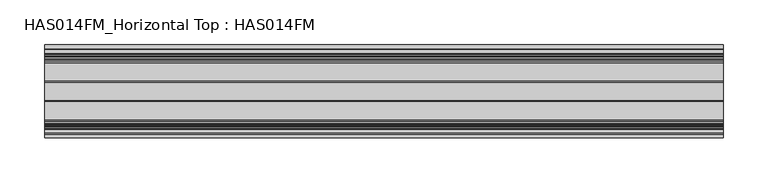
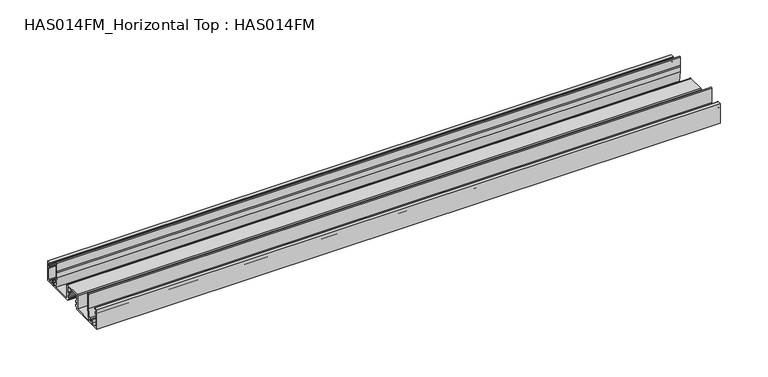
"""IFC4 building model written with IfcOpenShell, lengths in millimetres: beam geometry, HAS014FM_Horizontal Top : HAS014FM."""

from ifc_helpers import new_model, si_unit, point, frame, frame_2d, origin, place, context, project, spatial, polyline, circle_curve, trimmed, segment, composite_curve, outline, extrude, source, transform, mapped, element, save


def has014fm_horizontal_top_has014fm_2f3f1470(model_context):
    return source(origin(), model_context, "Body", "SweptSolid", [
        extrude(outline(composite_curve([segment(polyline([(-9.7397316, -31.7708648), (-9.7397316, -34.1298825), (-51.998773, -34.1298825), (-51.998773, -9.0339496), (-47.6822725, -9.0339496)]), True, "CONTINUOUS"), segment(trimmed(circle_curve(frame_2d((-47.6822725, -9.7366357)), 0.7026861), [point((-47.6822725, -9.0339496))], [point((-47.6822725, -10.4393218))], False, "CARTESIAN"), True, "CONTINUOUS"), segment(polyline([(-47.6822725, -10.4393218), (-50.6435926, -10.4393218), (-50.6435926, -13.7017931), (-48.9370692, -13.7017931)]), True, "CONTINUOUS"), segment(trimmed(circle_curve(frame_2d((-48.9370692, -14.504863)), 0.8030699), [point((-48.9370692, -13.7017931))], [point((-48.1339993, -14.504863))], False, "CARTESIAN"), True, "CONTINUOUS"), segment(polyline([(-48.1339993, -14.504863), (-48.1339993, -15.7094677)]), True, "CONTINUOUS"), segment(trimmed(circle_curve(frame_2d((-48.635918, -15.7094677)), 0.5019187), [point((-48.1339993, -15.7094677))], [point((-49.1378366, -15.7094677))], False, "CARTESIAN"), True, "CONTINUOUS"), segment(polyline([(-49.1378366, -15.7094677), (-49.1378366, -14.7056304), (-50.6435926, -14.7056304), (-50.6435926, -32.7747021), (-49.1378366, -32.7747021), (-49.1378366, -31.7708648)]), True, "CONTINUOUS"), segment(trimmed(circle_curve(frame_2d((-48.635918, -31.7708648)), 0.5019187), [point((-49.1378366, -31.7708648))], [point((-48.1339993, -31.7708648))], False, "CARTESIAN"), True, "CONTINUOUS"), segment(polyline([(-48.1339993, -31.7708648), (-48.1339993, -32.7747021), (-41.4082317, -32.7747021)]), True, "CONTINUOUS"), segment(trimmed(circle_curve(frame_2d((-38.9488879, -30.8679975)), 3.1118957), [point((-41.4082317, -32.7747021))], [point((-41.283567, -28.810531))], False, "CARTESIAN"), True, "CONTINUOUS"), segment(trimmed(circle_curve(frame_2d((-40.7187253, -29.3083052)), 0.752878), [point((-41.283567, -28.810531))], [point((-40.1538836, -29.8060793))], False, "CARTESIAN"), True, "CONTINUOUS"), segment(trimmed(circle_curve(frame_2d((-38.9488879, -30.8679975)), 1.6061397), [point((-40.1538836, -29.8060793))], [point((-39.0041772, -32.4731853))], True, "CARTESIAN"), True, "CONTINUOUS"), segment(trimmed(circle_curve(frame_2d((-38.9488879, -30.8679975)), 1.6061397), [point((-39.0041772, -32.4731853))], [point((-37.7438922, -29.8060793))], True, "CARTESIAN"), True, "CONTINUOUS"), segment(trimmed(circle_curve(frame_2d((-37.1790505, -29.3083052)), 0.752878), [point((-37.7438922, -29.8060793))], [point((-36.6142088, -28.810531))], False, "CARTESIAN"), True, "CONTINUOUS"), segment(polyline([(-36.6142088, -28.810531), (-35.692704, -29.7320358), (-33.4779745, -18.9347678), (-33.4779745, -0.6775902)]), True, "CONTINUOUS"), segment(trimmed(circle_curve(frame_2d((-32.8003843, -0.6775902)), 0.6775902), [point((-33.4779745, -0.6775902))], [point((-32.1227941, -0.6775902))], False, "CARTESIAN"), True, "CONTINUOUS"), segment(polyline([(-32.1227941, -0.6775902), (-32.1227941, -10.5402918), (-32.925864, -10.5402918), (-32.1227941, -12.4331683), (-32.1227941, -19.0723228), (-34.9335386, -32.7752884), (-11.2956794, -32.7752884), (-11.2956794, -15.7596596)]), True, "CONTINUOUS"), segment(trimmed(circle_curve(frame_2d((-10.0910746, -15.7596596)), 1.2046048), [point((-11.2956794, -15.7596596))], [point((-10.0910746, -14.5550548))], False, "CARTESIAN"), True, "CONTINUOUS"), segment(polyline([(-10.0910746, -14.5550548), (10.0910746, -14.5550548)]), True, "CONTINUOUS"), segment(trimmed(circle_curve(frame_2d((10.0910746, -15.7596596)), 1.2046048), [point((10.0910746, -14.5550548))], [point((11.2956794, -15.7596596))], False, "CARTESIAN"), True, "CONTINUOUS"), segment(polyline([(11.2956794, -15.7596596), (11.2956794, -32.7752884), (34.9335386, -32.7752884), (32.1227941, -19.0723228), (32.1227941, -12.4331683), (32.925864, -10.5402918), (32.1227941, -10.5402918), (32.1227941, -0.6775902)]), True, "CONTINUOUS"), segment(trimmed(circle_curve(frame_2d((32.8003843, -0.6775902)), 0.6775902), [point((32.1227941, -0.6775902))], [point((33.4779745, -0.6775902))], False, "CARTESIAN"), True, "CONTINUOUS"), segment(polyline([(33.4779745, -0.6775902), (33.4779745, -18.9347678), (35.692704, -29.7320358), (36.6142088, -28.810531)]), True, "CONTINUOUS"), segment(trimmed(circle_curve(frame_2d((37.1790505, -29.3083052)), 0.752878), [point((36.6142088, -28.810531))], [point((37.7438922, -29.8060793))], False, "CARTESIAN"), True, "CONTINUOUS"), segment(trimmed(circle_curve(frame_2d((38.9488879, -30.8679975)), 1.6061397), [point((37.7438922, -29.8060793))], [point((38.9120232, -32.4737141))], True, "CARTESIAN"), True, "CONTINUOUS"), segment(trimmed(circle_curve(frame_2d((38.9488879, -30.8679975)), 1.6061397), [point((38.9120232, -32.4737141))], [point((40.1538835, -29.8060793))], True, "CARTESIAN"), True, "CONTINUOUS"), segment(trimmed(circle_curve(frame_2d((40.7187253, -29.3083052)), 0.752878), [point((40.1538835, -29.8060793))], [point((41.283567, -28.810531))], False, "CARTESIAN"), True, "CONTINUOUS"), segment(trimmed(circle_curve(frame_2d((38.9488879, -30.8679975)), 3.1118957), [point((41.283567, -28.810531))], [point((41.4082317, -32.7747021))], False, "CARTESIAN"), True, "CONTINUOUS"), segment(polyline([(41.4082317, -32.7747021), (48.1339993, -32.7747021), (48.1339993, -31.7708648)]), True, "CONTINUOUS"), segment(trimmed(circle_curve(frame_2d((48.635918, -31.7708648)), 0.5019187), [point((48.1339993, -31.7708648))], [point((49.1378366, -31.7708648))], False, "CARTESIAN"), True, "CONTINUOUS"), segment(polyline([(49.1378366, -31.7708648), (49.1378366, -32.7747021), (50.6435926, -32.7747021), (50.6435926, -14.7056304), (49.1378366, -14.7056304), (49.1378366, -15.7094677)]), True, "CONTINUOUS"), segment(trimmed(circle_curve(frame_2d((48.635918, -15.7094677)), 0.5019187), [point((49.1378366, -15.7094677))], [point((48.1339993, -15.7094677))], False, "CARTESIAN"), True, "CONTINUOUS"), segment(polyline([(48.1339993, -15.7094677), (48.1339993, -14.504863)]), True, "CONTINUOUS"), segment(trimmed(circle_curve(frame_2d((48.9370692, -14.504863)), 0.8030699), [point((48.1339993, -14.504863))], [point((48.9370692, -13.7017931))], False, "CARTESIAN"), True, "CONTINUOUS"), segment(polyline([(48.9370692, -13.7017931), (50.6435926, -13.7017931), (50.6435926, -10.4393218), (47.6822725, -10.4393218)]), True, "CONTINUOUS"), segment(trimmed(circle_curve(frame_2d((47.6822725, -9.7366357)), 0.7026861), [point((47.6822725, -10.4393218))], [point((47.6822725, -9.0339496))], False, "CARTESIAN"), True, "CONTINUOUS"), segment(polyline([(47.6822725, -9.0339496), (51.998773, -9.0339496), (51.998773, -34.1298825), (9.7397316, -34.1298825), (9.7397316, -31.7708648), (8.0332081, -31.7708648)]), True, "CONTINUOUS"), segment(trimmed(circle_curve(frame_2d((8.0332081, -31.2689461)), 0.5019187), [point((8.0332081, -31.7708648))], [point((7.5312895, -31.2689461))], False, "CARTESIAN"), True, "CONTINUOUS"), segment(polyline([(7.5312895, -31.2689461), (7.5312895, -29.6635739)]), True, "CONTINUOUS"), segment(trimmed(circle_curve(frame_2d((8.0332081, -29.6635739)), 0.5019187), [point((7.5312895, -29.6635739))], [point((8.5351268, -29.6635739))], False, "CARTESIAN"), True, "CONTINUOUS"), segment(polyline([(8.5351268, -29.6635739), (8.5351268, -30.4658763), (9.940499, -30.4658763), (9.940499, -25.0451548), (8.5351268, -25.0451548), (8.5351268, -25.8474572)]), True, "CONTINUOUS"), segment(trimmed(circle_curve(frame_2d((8.0332081, -25.8474572)), 0.5019187), [point((8.5351268, -25.8474572))], [point((7.5312895, -25.8474572))], False, "CARTESIAN"), True, "CONTINUOUS"), segment(polyline([(7.5312895, -25.8474572), (7.5312895, -24.2420849)]), True, "CONTINUOUS"), segment(trimmed(circle_curve(frame_2d((8.0332081, -24.2420849)), 0.5019187), [point((7.5312895, -24.2420849))], [point((8.0332081, -23.7401663))], False, "CARTESIAN"), True, "CONTINUOUS"), segment(polyline([(8.0332081, -23.7401663), (9.7397316, -23.7401663), (9.7397316, -16.1110027), (-9.7397316, -16.1110027), (-9.7397316, -23.7401663), (-8.0332081, -23.7401663)]), True, "CONTINUOUS"), segment(trimmed(circle_curve(frame_2d((-8.0332081, -24.2420849)), 0.5019187), [point((-8.0332081, -23.7401663))], [point((-7.5312895, -24.2420849))], False, "CARTESIAN"), True, "CONTINUOUS"), segment(polyline([(-7.5312895, -24.2420849), (-7.5312895, -25.8474572)]), True, "CONTINUOUS"), segment(trimmed(circle_curve(frame_2d((-8.0332081, -25.8474572)), 0.5019187), [point((-7.5312895, -25.8474572))], [point((-8.5351268, -25.8474572))], False, "CARTESIAN"), True, "CONTINUOUS"), segment(polyline([(-8.5351268, -25.8474572), (-8.5351268, -25.0451548), (-9.940499, -25.0451548), (-9.940499, -30.4658763), (-8.5351268, -30.4658763), (-8.5351268, -29.6635739)]), True, "CONTINUOUS"), segment(trimmed(circle_curve(frame_2d((-8.0332081, -29.6635739)), 0.5019187), [point((-8.5351268, -29.6635739))], [point((-7.5312895, -29.6635739))], False, "CARTESIAN"), True, "CONTINUOUS"), segment(polyline([(-7.5312895, -29.6635739), (-7.5312895, -31.2689461)]), True, "CONTINUOUS"), segment(trimmed(circle_curve(frame_2d((-8.0332081, -31.2689461)), 0.5019187), [point((-7.5312895, -31.2689461))], [point((-8.0332081, -31.7708648))], False, "CARTESIAN"), True, "CONTINUOUS"), segment(polyline([(-8.0332081, -31.7708648), (-9.7397316, -31.7708648)]), True, "CONTINUOUS")], self_intersect=False)), frame((-378.7579618, 0.0, 0.0), z_axis=(1.0, 0.0, 0.0), x_axis=(0.0, 1.0, 0.0)), (0.0, 0.0, 1.0), 757.5159237),
    ])


if __name__ == "__main__":
    model = new_model("IFC4")
    model_context = context("Model", 3, world=origin())
    ifc_project = project(units=[si_unit("LENGTHUNIT", "METRE", prefix="MILLI")], contexts=[model_context])
    site = spatial("IfcSite", under=ifc_project)
    building = spatial("IfcBuilding", under=site)
    placement = place(None, origin())
    has014fm_horizontal_top_has014fm_shape = has014fm_horizontal_top_has014fm_2f3f1470(model_context)
    element("IfcBeam", 1, ObjectType="HAS014FM_Horizontal Top : HAS014FM", at=placement, inside=building, context=model_context, shape_type="MappedRepresentation", body=[
        mapped(has014fm_horizontal_top_has014fm_shape, transform((0.0, 0.0, 0.0), x_axis=(1.0, 0.0, 0.0), y_axis=(0.0, 1.0, 0.0), z_axis=(0.0, 0.0, 1.0))),
    ])
    save(model, "model.ifc")
